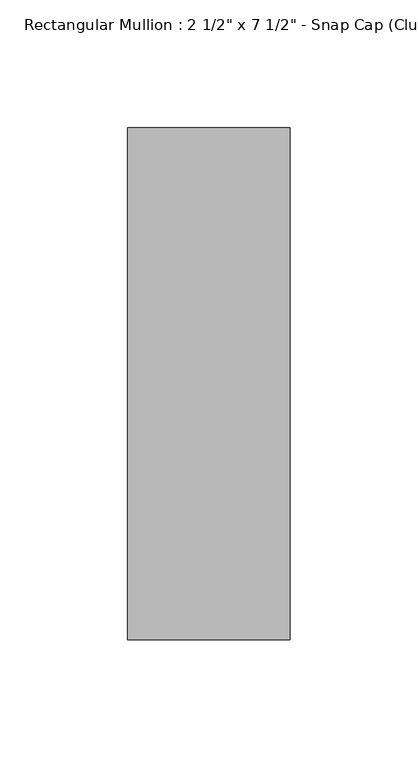
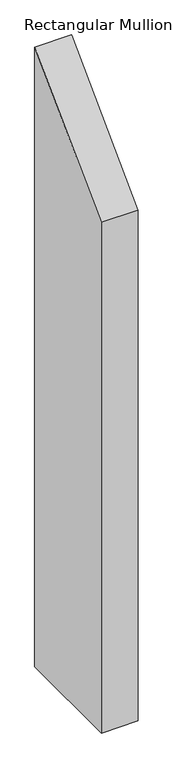
"""IFC4 building model written with IfcOpenShell, lengths in millimetres: member geometry."""

from ifc_helpers import new_model, si_unit, frame, origin, place, context, project, spatial, polyline, outline, extrude, source, transform, mapped, element, save


def member_270fadcb(model_context):
    return source(origin(), model_context, "Body", "SweptSolid", [
        extrude(outline(polyline([(-174.2, -174.2), (25.8, 25.8), (25.8, -1109.5992677), (-174.2, -1109.5992677), (-174.2, -174.2)])), frame((-63.5, 0.0, 0.0), z_axis=(1.0, 0.0, 0.0), x_axis=(0.0, 1.0, 0.0)), (0.0, 0.0, 1.0), 63.5),
    ])


if __name__ == "__main__":
    model = new_model("IFC4")
    model_context = context("Model", 3, world=origin())
    ifc_project = project(units=[si_unit("LENGTHUNIT", "METRE", prefix="MILLI")], contexts=[model_context])
    site = spatial("IfcSite", under=ifc_project)
    building = spatial("IfcBuilding", under=site)
    placement = place(None, origin())
    member_shape = member_270fadcb(model_context)
    element("IfcMember", 1, ObjectType="Rectangular Mullion : 2 1/2\" x 7 1/2\" - Snap Cap (Club)", at=placement, inside=building, context=model_context, shape_type="MappedRepresentation", body=[
        mapped(member_shape, transform((0.0, 0.0, 0.0), x_axis=(1.0, 0.0, 0.0), y_axis=(0.0, 1.0, 0.0), z_axis=(0.0, 0.0, 1.0))),
    ])
    save(model, "model.ifc")
